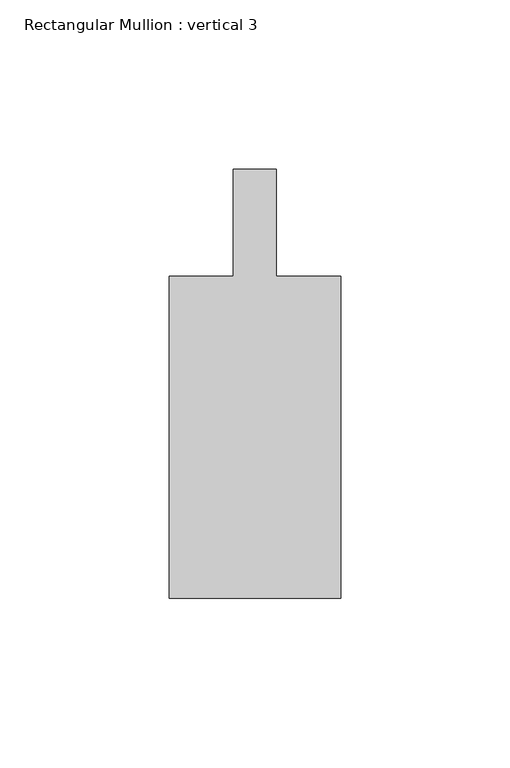
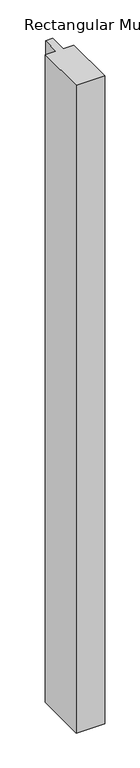
"""IFC4 building model written with IfcOpenShell, lengths in millimetres: member geometry, Rectangular Mullion : vertical 3."""

from ifc_helpers import new_model, si_unit, frame, origin, place, context, project, spatial, polyline, outline, extrude, source, transform, mapped, element, save


def rectangular_mullion_vertical_3_0c5c72a8(model_context):
    return source(origin(), model_context, "Body", "SweptSolid", [
        extrude(outline(polyline([(25.4001903, -146.0499726), (-25.3998097, -146.0499726), (-25.3998097, -50.7999726), (-6.3498097, -50.7999726), (-6.3498097, -19.05), (6.3498097, -19.05), (6.3498097, -50.7999726), (25.4001903, -50.7999726), (25.4001903, -146.0499726)])), frame((0.0, 0.0, -1219.2), z_axis=(0.0, 0.0, 1.0), x_axis=(1.0, 0.0, 0.0)), (0.0, 0.0, 1.0), 1219.2),
    ])


if __name__ == "__main__":
    model = new_model("IFC4")
    model_context = context("Model", 3, world=origin())
    ifc_project = project(units=[si_unit("LENGTHUNIT", "METRE", prefix="MILLI")], contexts=[model_context])
    site = spatial("IfcSite", under=ifc_project)
    building = spatial("IfcBuilding", under=site)
    placement = place(None, origin())
    rectangular_mullion_vertical_3_shape = rectangular_mullion_vertical_3_0c5c72a8(model_context)
    element("IfcMember", 1, ObjectType="Rectangular Mullion : vertical 3", at=placement, inside=building, context=model_context, shape_type="MappedRepresentation", body=[
        mapped(rectangular_mullion_vertical_3_shape, transform((0.0, 0.0, 0.0), x_axis=(1.0, 0.0, 0.0), y_axis=(0.0, 1.0, 0.0), z_axis=(0.0, 0.0, 1.0))),
    ])
    save(model, "model.ifc")
